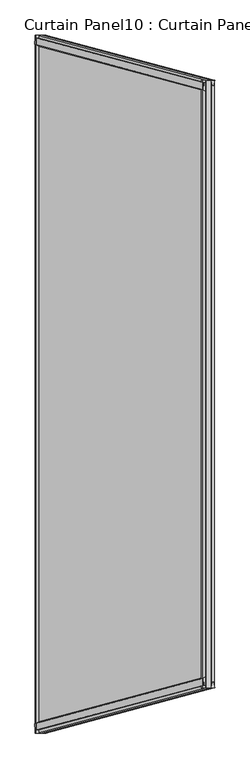
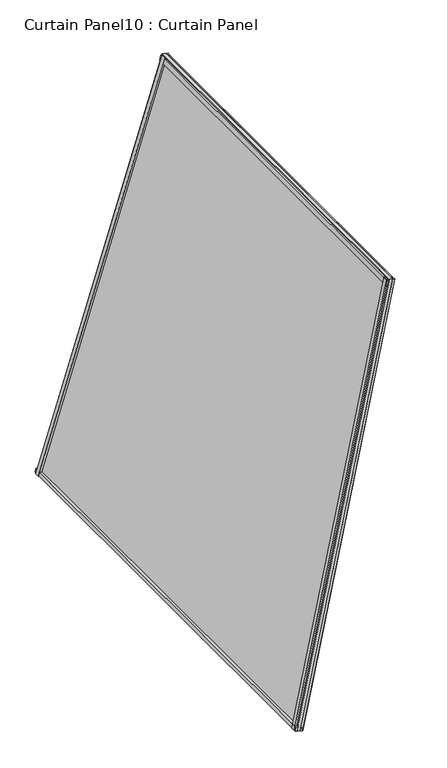
"""IFC4 building model written with IfcOpenShell, lengths in millimetres: plate geometry, Curtain Panel10 : Curtain Panel."""

from ifc_helpers import new_model, si_unit, frame, origin, place, context, project, spatial, polyline, outline, extrude, source, transform, mapped, element, save


def curtain_panel10_curtain_panel_57f8754c(model_context):
    return source(origin(), model_context, "Body", "SweptSolid", [
        extrude(outline(polyline([(22.2794791, -5.8689469), (22.2882717, -20.9890896), (17.5121093, -24.0709891), (17.5015261, -5.8717254), (22.2794791, -5.8689469)])), frame((-15131.2585852, -14473.4804884, 980.3279056), z_axis=(0.2499999999999991, 0.06698729810778095, 0.9659258262890686), x_axis=(-0.968100345886375, 0.0, 0.250562807085731)), (0.0, 0.0, 1.0), 1495.7446531),
        extrude(outline(polyline([(-1.6371094, 0.0), (4.7128906, 0.0), (4.7128906, -11.474974), (-0.0826892, -12.7161613), (-3.2648369, -0.4212869), (-1.6371094, 0.0)])), frame((-15131.2585852, -14473.4804884, 980.3279056), z_axis=(0.2499999999999991, 0.06698729810778095, 0.9659258262890686), x_axis=(-0.968100345886375, 0.0, 0.250562807085731)), (0.0, 0.0, 1.0), 1495.7446531),
        extrude(outline(polyline([(22.2794791, 5.8689468), (17.5015262, 5.8717253), (17.5121094, 24.070989), (22.2882719, 20.9890896), (22.2794791, 5.8689468)])), frame((-15131.2585851, -12928.7460372, 980.3279056), z_axis=(0.24999999999999972, -0.0669872981077804, 0.9659258262890684), x_axis=(-0.968100345886375, 0.0, 0.250562807085731)), (0.0, 0.0, 1.0), 1495.744653),
        extrude(outline(polyline([(-1.6371093, 0.0), (-3.2648368, 0.4212868), (-0.0826891, 12.7161612), (4.7128907, 11.4749739), (4.7128907, 0.0), (-1.6371093, 0.0)])), frame((-15131.2585851, -12928.7460372, 980.3279056), z_axis=(0.24999999999999972, -0.0669872981077804, 0.9659258262890684), x_axis=(-0.968100345886375, 0.0, 0.250562807085731)), (0.0, 0.0, 1.0), 1495.744653),
        extrude(outline(polyline([(981.6535301, -15135.7836723), (980.4477945, -15131.1250675), (990.4563096, -15128.5346732), (992.8459883, -15132.886851), (981.6535301, -15135.7836723)])), frame((0.0, -14473.4604127, 0.0), z_axis=(0.0, 1.0, 0.0), x_axis=(0.0, 0.0, 1.0)), (0.0, 0.0, 1.0), 1544.6942987),
        extrude(outline(polyline([(1001.266546, -15143.9284131), (998.1276799, -15149.769864), (986.0804352, -15152.8879203), (984.8605383, -15148.1746004), (1001.266546, -15143.9284131)])), frame((0.0, -14473.4604127, 0.0), z_axis=(0.0, 1.0, 0.0), x_axis=(0.0, 0.0, 1.0)), (0.0, 0.0, 1.0), 1544.6942987),
        extrude(outline(polyline([(2426.5104915, -14761.8271732), (2413.083235, -14765.3024029), (2412.8896477, -14760.244544), (2422.6172072, -14754.8508099), (2426.5104915, -14761.8271732)])), frame((0.0, -14373.2645024, 0.0), z_axis=(0.0, 1.0, 0.0), x_axis=(0.0, 0.0, 1.0)), (0.0, 0.0, 1.0), 1344.3024782),
        extrude(outline(polyline([(2409.5025074, -14784.2573404), (2406.1371538, -14780.3211439), (2425.6924948, -14775.2598493), (2425.6700325, -14780.2240824), (2409.5025074, -14784.2573404)])), frame((0.0, -14373.2645024, 0.0), z_axis=(0.0, 1.0, 0.0), x_axis=(0.0, 0.0, 1.0)), (0.0, 0.0, 1.0), 1344.3024782),
        extrude(outline(polyline([(-69.2035274, -1e-07), (-172.6797697, -1541.2446807), (-1655.0007185, -1341.3030092), (-1564.9481805, 0.0), (-69.2035274, -1e-07)])), frame((-15153.0845542, -14478.1062073, 914.8080557), z_axis=(-0.9681003458863751, 0.0, 0.2505628070857309), x_axis=(-0.24999999999999903, -0.06698729810778248, -0.9659258262890685)), (0.0, 0.0, 1.0), 12.7992187),
    ])


if __name__ == "__main__":
    model = new_model("IFC4")
    model_context = context("Model", 3, world=origin())
    ifc_project = project(units=[si_unit("LENGTHUNIT", "METRE", prefix="MILLI")], contexts=[model_context])
    site = spatial("IfcSite", under=ifc_project)
    building = spatial("IfcBuilding", under=site)
    placement = place(None, origin())
    curtain_panel10_curtain_panel_shape = curtain_panel10_curtain_panel_57f8754c(model_context)
    element("IfcPlate", 1, ObjectType="Curtain Panel10 : Curtain Panel", at=placement, inside=building, context=model_context, shape_type="MappedRepresentation", body=[
        mapped(curtain_panel10_curtain_panel_shape, transform((0.0, 0.0, 0.0), x_axis=(1.0, 0.0, 0.0), y_axis=(0.0, 1.0, 0.0), z_axis=(0.0, 0.0, 1.0))),
    ])
    save(model, "model.ifc")
